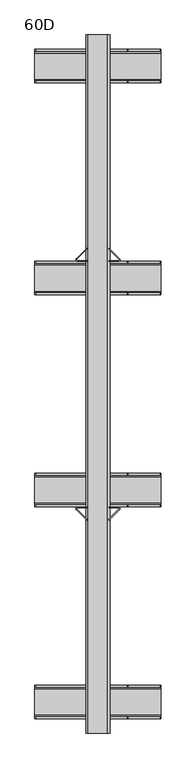
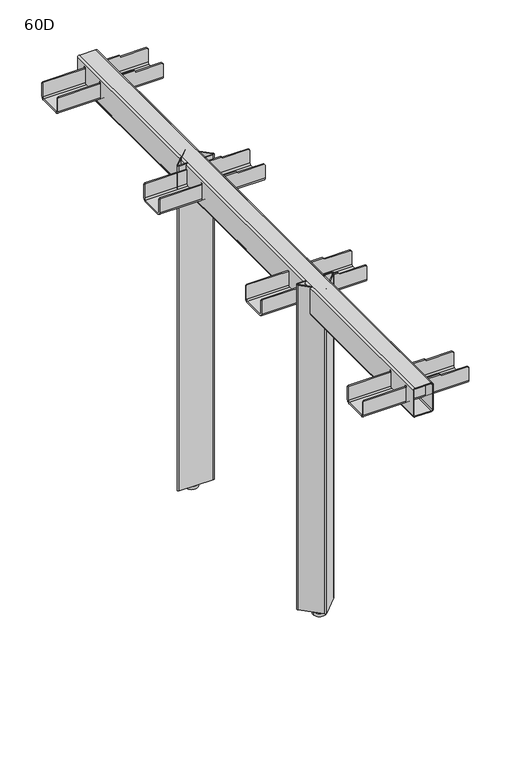
"""IFC4 building model written with IfcOpenShell, lengths in millimetres: furniture geometry, 60D."""

from ifc_helpers import new_model, si_unit, point, frame, frame_2d, origin, origin_with_axes, place, context, project, spatial, polyline, circle_curve, trimmed, segment, composite_curve, outline, extrude, source, transform, mapped, element, save
from ifc_brep_helpers import plane_surface, cylinder_surface, revolved_surface, advanced_brep


def furniture_60d_fa8f7c82(model_context):
    return source(origin(), model_context, "Body", "SolidModel", [
        advanced_brep(
        [(104.5, 497.4958946, 652.15), (104.5, 503.4958946, 646.15), (104.5, 546.4958946, 646.15), (104.5, 552.4958946, 652.15), (104.5, 552.4958946, 679.15), (104.5, 549.4958946, 679.15), (104.5, 549.4958946, 652.15), (104.5, 546.4958946, 649.15), (104.5, 503.4958946, 649.15), (104.5, 500.4958946, 652.15), (104.5, 500.4958946, 679.15), (104.5, 497.4958946, 679.15), (-104.5, 500.4958946, 652.15), (-104.5, 503.4958946, 649.15), (-104.5, 546.4958946, 649.15), (-104.5, 549.4958946, 652.15), (-104.5, 549.4958946, 679.15), (-104.5, 552.4958946, 679.15), (-104.5, 552.4958946, 652.15), (-104.5, 546.4958946, 646.15), (-104.5, 503.4958946, 646.15), (-104.5, 497.4958946, 652.15), (-104.5, 497.4958946, 679.15), (-104.5, 500.4958946, 679.15), (47.9765625, 497.4958946, 684.1539062), (47.9765625, 500.4958946, 684.1539062), (-20.0, 500.4958946, 684.1539062), (-20.0, 497.4958946, 684.1539062), (102.5, 497.4958946, 681.15), (50.0, 497.4958946, 681.15), (50.0, 497.4958946, 682.1304687), (-20.0, 497.4958946, 681.15), (-102.5, 497.4958946, 681.15), (-102.5, 552.4958946, 681.15), (-20.0, 552.4958946, 681.15), (-20.0, 552.4958946, 684.1539063), (47.9765625, 552.4958946, 684.1539063), (50.0, 552.4958946, 682.1304687), (50.0, 552.4958946, 681.15), (102.5, 552.4958946, 681.15), (47.9765625, 549.4958946, 684.1539063), (-20.0, 549.4958946, 684.1539063), (102.5, 549.4958946, 681.15), (50.0, 549.4958946, 681.15), (50.0, 549.4958946, 682.1304687), (-20.0, 549.4958946, 681.15), (-102.5, 549.4958946, 681.15), (-102.5, 500.4958946, 681.15), (-20.0, 500.4958946, 681.15), (50.0, 500.4958946, 682.1304687), (50.0, 500.4958946, 681.15), (102.5, 500.4958946, 681.15)],
        [
            (0, 1, circle_curve(frame((104.5, 503.4958946, 652.15), z_axis=(1.0, 0.0, 0.0), x_axis=(0.0, 1.0, 0.0)), 6.0)),
            (1, 2),
            (2, 3, circle_curve(frame((104.5, 546.4958946, 652.15), z_axis=(1.0, 0.0, 0.0), x_axis=(0.0, 1.0, 0.0)), 6.0)),
            (3, 4),
            (4, 5),
            (5, 6),
            (6, 7, circle_curve(frame((104.5, 546.4958946, 652.15), z_axis=(-1.0, 0.0, 0.0), x_axis=(0.0, 1.0, 0.0)), 3.0)),
            (7, 8),
            (8, 9, circle_curve(frame((104.5, 503.4958946, 652.15), z_axis=(-1.0, 0.0, 0.0), x_axis=(0.0, 1.0, 0.0)), 3.0)),
            (9, 10),
            (10, 11),
            (11, 0),
            (12, 13, circle_curve(frame((-104.5, 503.4958946, 652.15), z_axis=(1.0, 0.0, 0.0), x_axis=(0.0, 1.0, 0.0)), 3.0)),
            (13, 14),
            (14, 15, circle_curve(frame((-104.5, 546.4958946, 652.15), z_axis=(1.0, 0.0, 0.0), x_axis=(0.0, 1.0, 0.0)), 3.0)),
            (15, 16),
            (16, 17),
            (17, 18),
            (18, 19, circle_curve(frame((-104.5, 546.4958946, 652.15), z_axis=(-1.0, 0.0, 0.0), x_axis=(0.0, 1.0, 0.0)), 6.0)),
            (19, 20),
            (20, 21, circle_curve(frame((-104.5, 503.4958946, 652.15), z_axis=(-1.0, 0.0, 0.0), x_axis=(0.0, 1.0, 0.0)), 6.0)),
            (21, 22),
            (22, 23),
            (23, 12),
            (24, 25),
            (25, 26),
            (26, 27),
            (27, 24),
            (21, 0),
            (11, 28),
            (28, 29),
            (29, 30),
            (30, 24),
            (27, 31),
            (31, 32),
            (32, 22),
            (20, 1),
            (19, 2),
            (18, 3),
            (17, 33),
            (33, 34),
            (34, 35),
            (35, 36),
            (36, 37),
            (37, 38),
            (38, 39),
            (39, 4),
            (40, 36),
            (35, 41),
            (41, 40),
            (15, 6),
            (5, 42),
            (42, 43),
            (43, 44),
            (44, 40),
            (41, 45),
            (45, 46),
            (46, 16),
            (14, 7),
            (13, 8),
            (12, 9),
            (23, 47),
            (47, 48),
            (48, 26),
            (25, 49),
            (49, 50),
            (50, 51),
            (51, 10),
            (42, 39),
            (38, 43),
            (28, 51),
            (50, 29),
            (37, 44),
            (49, 30),
            (33, 46),
            (45, 34),
            (47, 32),
            (31, 48),
        ],
        [
            plane_surface(frame((104.5, 497.4958946, 684.1539062), z_axis=(1.0, 0.0, 0.0), x_axis=(0.0, -1.0, 0.0))),
            plane_surface(frame((-104.5, 497.4958946, 684.1539062), z_axis=(-1.0, 0.0, 0.0), x_axis=(0.0, 1.0, 0.0))),
            plane_surface(frame((104.5, 500.4958946, 684.1539062), z_axis=(0.0, 0.0, 1.0), x_axis=(-1.0, 0.0, 0.0))),
            plane_surface(frame((104.5, 497.4958946, 684.1539062), z_axis=(0.0, -1.0, 7.873090340298527e-12), x_axis=(-1.0, 0.0, 0.0))),
            cylinder_surface(frame((-104.5, 503.4958946, 652.15), z_axis=(1.0, 0.0, 0.0), x_axis=(0.0, 1.0, 0.0)), 6.0),
            plane_surface(frame((104.5, 503.4958946, 646.15), z_axis=(0.0, 5.927438385084088e-12, -1.0), x_axis=(-1.0, 0.0, 0.0))),
            cylinder_surface(frame((-104.5, 546.4958946, 652.15), z_axis=(1.0, 0.0, 0.0), x_axis=(0.0, 1.0, 0.0)), 6.0),
            plane_surface(frame((104.5, 552.4958946, 652.15), z_axis=(0.0, 1.0, 0.0), x_axis=(-1.0, 0.0, 0.0))),
            plane_surface(frame((104.5, 552.4958946, 684.1539063), z_axis=(0.0, 0.0, 1.0), x_axis=(-1.0, 0.0, 0.0))),
            plane_surface(frame((104.5, 549.4958946, 684.1539063), z_axis=(0.0, -1.0, 7.894237507477037e-12), x_axis=(-1.0, 0.0, 0.0))),
            revolved_surface(polyline([(-104.5, 549.4958946, 652.15), (104.5, 549.4958946, 652.15)]), (-104.5, 546.4958946, 652.15), (-1.0, 0.0, 0.0)),
            plane_surface(frame((104.5, 546.4958946, 649.15), z_axis=(0.0, -5.8707767329696355e-12, 1.0), x_axis=(-1.0, 0.0, 0.0))),
            revolved_surface(polyline([(-104.5, 506.4958946, 652.15), (104.5, 506.4958946, 652.15)]), (-104.5, 503.4958946, 652.15), (-1.0, 0.0, 0.0)),
            plane_surface(frame((104.5, 500.4958946, 652.15), z_axis=(0.0, 1.0, 0.0), x_axis=(-1.0, 0.0, 0.0))),
            plane_surface(frame((102.5, 552.4958946, 681.15), z_axis=(0.0, 0.0, 1.0), x_axis=(0.0, -1.0, 0.0))),
            plane_surface(frame((50.0, 552.4958946, 681.15), z_axis=(1.0, 0.0, 0.0), x_axis=(0.0, -1.0, 0.0))),
            plane_surface(frame((50.0, 552.4958946, 682.1304687), z_axis=(0.7071067811865623, 0.0, 0.7071067811865328), x_axis=(0.0, -1.0, 0.0))),
            plane_surface(frame((104.5, 552.4958946, 679.15), z_axis=(0.7071067811865416, 0.0, 0.7071067811865536), x_axis=(0.0, -1.0, 0.0))),
            plane_surface(frame((-102.5, -552.4956, 681.15), z_axis=(0.0, 0.0, 1.0), x_axis=(0.0, 1.0, 0.0))),
            plane_surface(frame((-104.5, -552.4956, 679.15), z_axis=(-0.7071067811865057, 0.0, 0.7071067811865894), x_axis=(0.0, 1.0, 0.0))),
            plane_surface(frame((-20.0, -552.4956, 681.15), z_axis=(-1.0, 0.0, 0.0), x_axis=(0.0, 1.0, 0.0))),
        ],
        [
            (0, [[1, 2, 3, 4, 5, 6, 7, 8, 9, 10, 11, 12]]),
            (1, [[13, 14, 15, 16, 17, 18, 19, 20, 21, 22, 23, 24]]),
            (2, [[25, 26, 27, 28]]),
            (3, [[29, -12, 30, 31, 32, 33, -28, 34, 35, 36, -22]]),
            (4, [[-1, -29, -21, 37]]),
            (5, [[-2, -37, -20, 38]]),
            (6, [[-3, -38, -19, 39]]),
            (7, [[-39, -18, 40, 41, 42, 43, 44, 45, 46, 47, -4]]),
            (8, [[48, -43, 49, 50]]),
            (9, [[51, -6, 52, 53, 54, 55, -50, 56, 57, 58, -16]]),
            (10, [[-7, -51, -15, 59]]),
            (11, [[-8, -59, -14, 60]]),
            (12, [[-9, -60, -13, 61]]),
            (13, [[-61, -24, 62, 63, 64, -26, 65, 66, 67, 68, -10]]),
            (14, [[69, -46, 70, -53]]),
            (14, [[71, -67, 72, -31]]),
            (15, [[-70, -45, 73, -54]]),
            (15, [[-72, -66, 74, -32]]),
            (16, [[-73, -44, -48, -55]]),
            (16, [[-74, -65, -25, -33]]),
            (17, [[-69, -52, -5, -47]]),
            (17, [[-71, -30, -11, -68]]),
            (18, [[75, -57, 76, -41]]),
            (18, [[77, -35, 78, -63]]),
            (19, [[-75, -40, -17, -58]]),
            (19, [[-77, -62, -23, -36]]),
            (20, [[-76, -56, -49, -42]]),
            (20, [[-78, -34, -27, -64]]),
        ],
    ),
        advanced_brep(
        [(104.5, -552.4956, 652.4753443), (104.5, -546.1702557, 646.15), (104.5, -503.4956, 646.15), (104.5, -497.4956, 652.15), (104.5, -497.4956, 679.15), (104.5, -500.4956, 679.15), (104.5, -500.4956, 651.8246557), (104.5, -503.1702557, 649.15), (104.5, -546.1702557, 649.15), (104.5, -549.4956, 652.4753443), (104.5, -549.4956, 679.15), (104.5, -552.4956, 679.15), (-104.5, -549.4956, 652.4753443), (-104.5, -546.1702557, 649.15), (-104.5, -503.1702557, 649.15), (-104.5, -500.4956, 651.8246557), (-104.5, -500.4956, 679.15), (-104.5, -497.4956, 679.15), (-104.5, -497.4956, 652.15), (-104.5, -503.4956, 646.15), (-104.5, -546.1702557, 646.15), (-104.5, -552.4956, 652.4753443), (-104.5, -552.4956, 679.15), (-104.5, -549.4956, 679.15), (-20.0, -549.4956, 684.1539062), (-20.0, -552.4956, 684.1539062), (47.9765625, -552.4956, 684.1539062), (47.9765625, -549.4956, 684.1539062), (102.5, -552.4956, 681.15), (50.0, -552.4956, 681.15), (50.0, -552.4956, 682.1304688), (-20.0, -552.4956, 681.15), (-102.5, -552.4956, 681.15), (-102.5, -497.4956, 681.15), (-20.0, -497.4956, 681.15), (-20.0, -497.4956, 684.1539063), (47.9765625, -497.4956, 684.1539063), (50.0, -497.4956, 682.1304688), (50.0, -497.4956, 681.15), (102.5, -497.4956, 681.15), (-20.0, -500.4956, 684.1539063), (47.9765625, -500.4956, 684.1539063), (102.5, -500.4956, 681.15), (50.0, -500.4956, 681.15), (50.0, -500.4956, 682.1304688), (-20.0, -500.4956, 681.15), (-102.5, -500.4956, 681.15), (-102.5, -549.4956, 681.15), (-20.0, -549.4956, 681.15), (50.0, -549.4956, 682.1304688), (50.0, -549.4956, 681.15), (102.5, -549.4956, 681.15)],
        [
            (0, 1, circle_curve(frame((104.5, -546.1702557, 652.4753443), z_axis=(1.0, 0.0, 0.0), x_axis=(0.0, 1.0, 0.0)), 6.3253443)),
            (1, 2),
            (2, 3, circle_curve(frame((104.5, -503.4956, 652.15), z_axis=(1.0, 0.0, 0.0), x_axis=(0.0, 1.0, 0.0)), 6.0)),
            (3, 4),
            (4, 5),
            (5, 6),
            (6, 7, circle_curve(frame((104.5, -503.1702557, 651.8246557), z_axis=(-1.0, 0.0, 0.0), x_axis=(0.0, 1.0, 0.0)), 2.6746557)),
            (7, 8),
            (8, 9, circle_curve(frame((104.5, -546.1702557, 652.4753443), z_axis=(-1.0, 0.0, 0.0), x_axis=(0.0, 1.0, 0.0)), 3.3253443)),
            (9, 10),
            (10, 11),
            (11, 0),
            (12, 13, circle_curve(frame((-104.5, -546.1702557, 652.4753443), z_axis=(1.0, 0.0, 0.0), x_axis=(0.0, 1.0, 0.0)), 3.3253443)),
            (13, 14),
            (14, 15, circle_curve(frame((-104.5, -503.1702557, 651.8246557), z_axis=(1.0, 0.0, 0.0), x_axis=(0.0, 1.0, 0.0)), 2.6746557)),
            (15, 16),
            (16, 17),
            (17, 18),
            (18, 19, circle_curve(frame((-104.5, -503.4956, 652.15), z_axis=(-1.0, 0.0, 0.0), x_axis=(0.0, 1.0, 0.0)), 6.0)),
            (19, 20),
            (20, 21, circle_curve(frame((-104.5, -546.1702557, 652.4753443), z_axis=(-1.0, 0.0, 0.0), x_axis=(0.0, 1.0, 0.0)), 6.3253443)),
            (21, 22),
            (22, 23),
            (23, 12),
            (24, 25),
            (25, 26),
            (26, 27),
            (27, 24),
            (21, 0),
            (11, 28),
            (28, 29),
            (29, 30),
            (30, 26),
            (25, 31),
            (31, 32),
            (32, 22),
            (20, 1),
            (19, 2),
            (18, 3),
            (17, 33),
            (33, 34),
            (34, 35),
            (35, 36),
            (36, 37),
            (37, 38),
            (38, 39),
            (39, 4),
            (35, 40),
            (40, 41),
            (41, 36),
            (15, 6),
            (5, 42),
            (42, 43),
            (43, 44),
            (44, 41),
            (40, 45),
            (45, 46),
            (46, 16),
            (14, 7),
            (13, 8),
            (12, 9),
            (23, 47),
            (47, 48),
            (48, 24),
            (27, 49),
            (49, 50),
            (50, 51),
            (51, 10),
            (33, 46),
            (45, 34),
            (47, 32),
            (31, 48),
            (42, 39),
            (38, 43),
            (28, 51),
            (50, 29),
            (37, 44),
            (49, 30),
        ],
        [
            plane_surface(frame((104.5, -552.4956, 684.1539062), z_axis=(1.0, 0.0, 0.0), x_axis=(0.0, -1.0, 0.0))),
            plane_surface(frame((-104.5, -552.4956, 684.1539062), z_axis=(-1.0, 0.0, 0.0), x_axis=(0.0, 1.0, 0.0))),
            plane_surface(frame((104.5, -549.4956, 684.1539062), z_axis=(0.0, 0.0, 1.0), x_axis=(-1.0, 0.0, 0.0))),
            plane_surface(frame((104.5, -552.4956, 684.1539062), z_axis=(0.0, -1.0, 0.0), x_axis=(-1.0, 0.0, 0.0))),
            cylinder_surface(frame((-104.5, -546.1702557, 652.4753443), z_axis=(1.0, 0.0, 0.0), x_axis=(0.0, 1.0, 0.0)), 6.3253443),
            plane_surface(frame((104.5, -546.1702557, 646.15), z_axis=(0.0, 2.994243751937464e-12, -1.0), x_axis=(-1.0, 0.0, 0.0))),
            cylinder_surface(frame((-104.5, -503.4956, 652.15), z_axis=(1.0, 0.0, 0.0), x_axis=(0.0, 1.0, 0.0)), 6.0),
            plane_surface(frame((104.5, -497.4956, 652.15), z_axis=(0.0, 1.0, 0.0), x_axis=(-1.0, 0.0, 0.0))),
            plane_surface(frame((104.5, -497.4956, 684.1539063), z_axis=(0.0, 0.0, 1.0), x_axis=(-1.0, 0.0, 0.0))),
            plane_surface(frame((104.5, -500.4956, 684.1539063), z_axis=(0.0, -1.0, 3.952405922309304e-12), x_axis=(-1.0, 0.0, 0.0))),
            revolved_surface(polyline([(-104.5, -500.49559999999997, 651.8246557), (104.5, -500.49559999999997, 651.8246557)]), (-104.5, -503.1702557, 651.8246557), (-1.0, 0.0, 0.0)),
            plane_surface(frame((104.5, -503.1702557, 649.15), z_axis=(0.0, 0.0, 1.0), x_axis=(-1.0, 0.0, 0.0))),
            revolved_surface(polyline([(-104.5, -542.8449114, 652.4753443), (104.5, -542.8449114, 652.4753443)]), (-104.5, -546.1702557, 652.4753443), (-1.0, 0.0, 0.0)),
            plane_surface(frame((104.5, -549.4956, 652.4753443), z_axis=(0.0, 1.0, 0.0), x_axis=(-1.0, 0.0, 0.0))),
            plane_surface(frame((-102.5, -552.4956, 681.15), z_axis=(0.0, 0.0, 1.0), x_axis=(0.0, 1.0, 0.0))),
            plane_surface(frame((-104.5, -552.4956, 679.15), z_axis=(-0.7071067811865057, 0.0, 0.7071067811865894), x_axis=(0.0, 1.0, 0.0))),
            plane_surface(frame((-20.0, -552.4956, 681.15), z_axis=(-1.0, 0.0, 0.0), x_axis=(0.0, 1.0, 0.0))),
            plane_surface(frame((102.5, 552.4958946, 681.15), z_axis=(0.0, 0.0, 1.0), x_axis=(0.0, -1.0, 0.0))),
            plane_surface(frame((50.0, 552.4958946, 681.15), z_axis=(1.0, 0.0, 0.0), x_axis=(0.0, -1.0, 0.0))),
            plane_surface(frame((50.0, 552.4958946, 682.1304687), z_axis=(0.7071067811865623, 0.0, 0.7071067811865328), x_axis=(0.0, -1.0, 0.0))),
            plane_surface(frame((104.5, 552.4958946, 679.15), z_axis=(0.7071067811865416, 0.0, 0.7071067811865536), x_axis=(0.0, -1.0, 0.0))),
        ],
        [
            (0, [[1, 2, 3, 4, 5, 6, 7, 8, 9, 10, 11, 12]]),
            (1, [[13, 14, 15, 16, 17, 18, 19, 20, 21, 22, 23, 24]]),
            (2, [[25, 26, 27, 28]]),
            (3, [[29, -12, 30, 31, 32, 33, -26, 34, 35, 36, -22]]),
            (4, [[-1, -29, -21, 37]]),
            (5, [[-2, -37, -20, 38]]),
            (6, [[-3, -38, -19, 39]]),
            (7, [[-39, -18, 40, 41, 42, 43, 44, 45, 46, 47, -4]]),
            (8, [[48, 49, 50, -43]]),
            (9, [[51, -6, 52, 53, 54, 55, -49, 56, 57, 58, -16]]),
            (10, [[-7, -51, -15, 59]]),
            (11, [[-8, -59, -14, 60]]),
            (12, [[-9, -60, -13, 61]]),
            (13, [[-61, -24, 62, 63, 64, -28, 65, 66, 67, 68, -10]]),
            (14, [[69, -57, 70, -41]]),
            (14, [[71, -35, 72, -63]]),
            (15, [[-69, -40, -17, -58]]),
            (15, [[-71, -62, -23, -36]]),
            (16, [[-70, -56, -48, -42]]),
            (16, [[-72, -34, -25, -64]]),
            (17, [[73, -46, 74, -53]]),
            (17, [[75, -67, 76, -31]]),
            (18, [[-74, -45, 77, -54]]),
            (18, [[-76, -66, 78, -32]]),
            (19, [[-77, -44, -50, -55]]),
            (19, [[-78, -65, -27, -33]]),
            (20, [[-73, -52, -5, -47]]),
            (20, [[-75, -30, -11, -68]]),
        ],
    ),
        extrude(outline(composite_curve([segment(polyline([(688.15, -20.0), (636.15, -20.0)]), True, "CONTINUOUS"), segment(trimmed(circle_curve(frame_2d((636.15, -16.0)), 4.0), [point((636.15, -20.0))], [point((632.15, -16.0))], False, "CARTESIAN"), True, "CONTINUOUS"), segment(polyline([(632.15, -16.0), (632.15, 16.0)]), True, "CONTINUOUS"), segment(trimmed(circle_curve(frame_2d((636.15, 16.0)), 4.0), [point((632.15, 16.0))], [point((636.15, 20.0))], False, "CARTESIAN"), True, "CONTINUOUS"), segment(polyline([(636.15, 20.0), (688.15, 20.0)]), True, "CONTINUOUS"), segment(trimmed(circle_curve(frame_2d((688.15, 16.0)), 4.0), [point((688.15, 20.0))], [point((692.15, 16.0))], False, "CARTESIAN"), True, "CONTINUOUS"), segment(polyline([(692.15, 16.0), (692.15, -16.0)]), True, "CONTINUOUS"), segment(trimmed(circle_curve(frame_2d((688.15, -16.0)), 4.0), [point((692.15, -16.0))], [point((688.15, -20.0))], False, "CARTESIAN"), True, "CONTINUOUS")], self_intersect=False), holes=[composite_curve([segment(polyline([(636.15, -18.0), (688.15, -18.0)]), True, "CONTINUOUS"), segment(trimmed(circle_curve(frame_2d((688.15, -16.0)), 2.0), [point((688.15, -18.0))], [point((690.15, -16.0))], True, "CARTESIAN"), True, "CONTINUOUS"), segment(polyline([(690.15, -16.0), (690.15, 16.0)]), True, "CONTINUOUS"), segment(trimmed(circle_curve(frame_2d((688.15, 16.0)), 2.0), [point((690.15, 16.0))], [point((688.15, 18.0))], True, "CARTESIAN"), True, "CONTINUOUS"), segment(polyline([(688.15, 18.0), (636.15, 18.0)]), True, "CONTINUOUS"), segment(trimmed(circle_curve(frame_2d((636.15, 16.0)), 2.0), [point((636.15, 18.0))], [point((634.15, 16.0))], True, "CARTESIAN"), True, "CONTINUOUS"), segment(polyline([(634.15, 16.0), (634.15, -16.0)]), True, "CONTINUOUS"), segment(trimmed(circle_curve(frame_2d((636.15, -16.0)), 2.0), [point((634.15, -16.0))], [point((636.15, -18.0))], True, "CARTESIAN"), True, "CONTINUOUS")], self_intersect=False)]), frame((0.0, -576.4478, 0.0), z_axis=(0.0, 1.0, 0.0), x_axis=(0.0, 0.0, 1.0)), (0.0, 0.0, 1.0), 1152.8958946),
        advanced_brep(
        [(104.5, -202.5, 652.15), (104.5, -196.5, 646.15), (104.5, -153.5, 646.15), (104.5, -147.5, 652.15), (104.5, -147.5, 679.15), (104.5, -150.5, 679.15), (104.5, -150.5, 652.15), (104.5, -153.5, 649.15), (104.5, -196.5, 649.15), (104.5, -199.5, 652.15), (104.5, -199.5, 679.15), (104.5, -202.5, 679.15), (-104.5, -199.5, 652.15), (-104.5, -196.5, 649.15), (-104.5, -153.5, 649.15), (-104.5, -150.5, 652.15), (-104.5, -150.5, 679.15), (-104.5, -147.5, 679.15), (-104.5, -147.5, 652.15), (-104.5, -153.5, 646.15), (-104.5, -196.5, 646.15), (-104.5, -202.5, 652.15), (-104.5, -202.5, 679.15), (-104.5, -199.5, 679.15), (47.9765625, -202.5, 684.1539063), (47.9765625, -199.5, 684.1539063), (-20.0, -199.5, 684.1539063), (-20.0, -202.5, 684.1539063), (102.5, -202.5, 681.15), (50.0, -202.5, 681.15), (50.0, -202.5, 682.1304688), (-20.0, -202.5, 681.15), (-102.5, -202.5, 681.15), (-102.5, -147.5, 681.15), (-20.0, -147.5, 681.15), (-20.0, -147.5, 684.1539062), (47.9765625, -147.5, 684.1539062), (50.0, -147.5, 682.1304688), (50.0, -147.5, 681.15), (102.5, -147.5, 681.15), (47.9765625, -150.5, 684.1539062), (-20.0, -150.5, 684.1539062), (102.5, -150.5, 681.15), (50.0, -150.5, 681.15), (50.0, -150.5, 682.1304688), (-20.0, -150.5, 681.15), (-102.5, -150.5, 681.15), (-102.5, -199.5, 681.15), (-20.0, -199.5, 681.15), (50.0, -199.5, 682.1304688), (50.0, -199.5, 681.15), (102.5, -199.5, 681.15)],
        [
            (0, 1, circle_curve(frame((104.5, -196.5, 652.15), z_axis=(1.0, 0.0, 0.0), x_axis=(0.0, 1.0, 0.0)), 6.0)),
            (1, 2),
            (2, 3, circle_curve(frame((104.5, -153.5, 652.15), z_axis=(1.0, 0.0, 0.0), x_axis=(0.0, 1.0, 0.0)), 6.0)),
            (3, 4),
            (4, 5),
            (5, 6),
            (6, 7, circle_curve(frame((104.5, -153.5, 652.15), z_axis=(-1.0, 0.0, 0.0), x_axis=(0.0, 1.0, 0.0)), 3.0)),
            (7, 8),
            (8, 9, circle_curve(frame((104.5, -196.5, 652.15), z_axis=(-1.0, 0.0, 0.0), x_axis=(0.0, 1.0, 0.0)), 3.0)),
            (9, 10),
            (10, 11),
            (11, 0),
            (12, 13, circle_curve(frame((-104.5, -196.5, 652.15), z_axis=(1.0, 0.0, 0.0), x_axis=(0.0, 1.0, 0.0)), 3.0)),
            (13, 14),
            (14, 15, circle_curve(frame((-104.5, -153.5, 652.15), z_axis=(1.0, 0.0, 0.0), x_axis=(0.0, 1.0, 0.0)), 3.0)),
            (15, 16),
            (16, 17),
            (17, 18),
            (18, 19, circle_curve(frame((-104.5, -153.5, 652.15), z_axis=(-1.0, 0.0, 0.0), x_axis=(0.0, 1.0, 0.0)), 6.0)),
            (19, 20),
            (20, 21, circle_curve(frame((-104.5, -196.5, 652.15), z_axis=(-1.0, 0.0, 0.0), x_axis=(0.0, 1.0, 0.0)), 6.0)),
            (21, 22),
            (22, 23),
            (23, 12),
            (24, 25),
            (25, 26),
            (26, 27),
            (27, 24),
            (21, 0),
            (11, 28),
            (28, 29),
            (29, 30),
            (30, 24),
            (27, 31),
            (31, 32),
            (32, 22),
            (20, 1),
            (19, 2),
            (18, 3),
            (17, 33),
            (33, 34),
            (34, 35),
            (35, 36),
            (36, 37),
            (37, 38),
            (38, 39),
            (39, 4),
            (40, 36),
            (35, 41),
            (41, 40),
            (15, 6),
            (5, 42),
            (42, 43),
            (43, 44),
            (44, 40),
            (41, 45),
            (45, 46),
            (46, 16),
            (14, 7),
            (13, 8),
            (12, 9),
            (23, 47),
            (47, 48),
            (48, 26),
            (25, 49),
            (49, 50),
            (50, 51),
            (51, 10),
            (42, 39),
            (38, 43),
            (28, 51),
            (50, 29),
            (37, 44),
            (49, 30),
            (33, 46),
            (45, 34),
            (47, 32),
            (31, 48),
        ],
        [
            plane_surface(frame((104.5, -202.5, 684.1539063), z_axis=(1.0, 0.0, 0.0), x_axis=(0.0, -1.0, 0.0))),
            plane_surface(frame((-104.5, -202.5, 684.1539063), z_axis=(-1.0, 0.0, 0.0), x_axis=(0.0, 1.0, 0.0))),
            plane_surface(frame((104.5, -199.5, 684.1539063), z_axis=(0.0, 0.0, 1.0), x_axis=(-1.0, 0.0, 0.0))),
            plane_surface(frame((104.5, -202.5, 684.1539063), z_axis=(0.0, -1.0, -5.978304161168426e-12), x_axis=(-1.0, 0.0, 0.0))),
            cylinder_surface(frame((-104.5, -196.5, 652.15), z_axis=(1.0, 0.0, 0.0), x_axis=(0.0, 1.0, 0.0)), 6.0),
            plane_surface(frame((104.5, -196.5, 646.15), z_axis=(0.0, -4.394425908431922e-12, -1.0), x_axis=(-1.0, 0.0, 0.0))),
            cylinder_surface(frame((-104.5, -153.5, 652.15), z_axis=(1.0, 0.0, 0.0), x_axis=(0.0, 1.0, 0.0)), 6.0),
            plane_surface(frame((104.5, -147.5, 652.15), z_axis=(0.0, 1.0, 0.0), x_axis=(-1.0, 0.0, 0.0))),
            plane_surface(frame((104.5, -147.5, 684.1539062), z_axis=(0.0, 0.0, 1.0), x_axis=(-1.0, 0.0, 0.0))),
            plane_surface(frame((104.5, -150.5, 684.1539062), z_axis=(0.0, -1.0, -5.9709026526534636e-12), x_axis=(-1.0, 0.0, 0.0))),
            revolved_surface(polyline([(-104.5, -150.5, 652.15), (104.5, -150.5, 652.15)]), (-104.5, -153.5, 652.15), (-1.0, 0.0, 0.0)),
            plane_surface(frame((104.5, -153.5, 649.15), z_axis=(0.0, 4.438496082298718e-12, 1.0), x_axis=(-1.0, 0.0, 0.0))),
            revolved_surface(polyline([(-104.5, -193.5, 652.15), (104.5, -193.5, 652.15)]), (-104.5, -196.5, 652.15), (-1.0, 0.0, 0.0)),
            plane_surface(frame((104.5, -199.5, 652.15), z_axis=(0.0, 1.0, 0.0), x_axis=(-1.0, 0.0, 0.0))),
            plane_surface(frame((102.5, 552.4958946, 681.15), z_axis=(0.0, 0.0, 1.0), x_axis=(0.0, -1.0, 0.0))),
            plane_surface(frame((50.0, 552.4958946, 681.15), z_axis=(1.0, 0.0, 0.0), x_axis=(0.0, -1.0, 0.0))),
            plane_surface(frame((50.0, 552.4958946, 682.1304687), z_axis=(0.7071067811865623, 0.0, 0.7071067811865328), x_axis=(0.0, -1.0, 0.0))),
            plane_surface(frame((104.5, 552.4958946, 679.15), z_axis=(0.7071067811865416, 0.0, 0.7071067811865536), x_axis=(0.0, -1.0, 0.0))),
            plane_surface(frame((-102.5, -552.4956, 681.15), z_axis=(0.0, 0.0, 1.0), x_axis=(0.0, 1.0, 0.0))),
            plane_surface(frame((-104.5, -552.4956, 679.15), z_axis=(-0.7071067811865057, 0.0, 0.7071067811865894), x_axis=(0.0, 1.0, 0.0))),
            plane_surface(frame((-20.0, -552.4956, 681.15), z_axis=(-1.0, 0.0, 0.0), x_axis=(0.0, 1.0, 0.0))),
        ],
        [
            (0, [[1, 2, 3, 4, 5, 6, 7, 8, 9, 10, 11, 12]]),
            (1, [[13, 14, 15, 16, 17, 18, 19, 20, 21, 22, 23, 24]]),
            (2, [[25, 26, 27, 28]]),
            (3, [[29, -12, 30, 31, 32, 33, -28, 34, 35, 36, -22]]),
            (4, [[-1, -29, -21, 37]]),
            (5, [[-2, -37, -20, 38]]),
            (6, [[-3, -38, -19, 39]]),
            (7, [[-39, -18, 40, 41, 42, 43, 44, 45, 46, 47, -4]]),
            (8, [[48, -43, 49, 50]]),
            (9, [[51, -6, 52, 53, 54, 55, -50, 56, 57, 58, -16]]),
            (10, [[-7, -51, -15, 59]]),
            (11, [[-8, -59, -14, 60]]),
            (12, [[-9, -60, -13, 61]]),
            (13, [[-61, -24, 62, 63, 64, -26, 65, 66, 67, 68, -10]]),
            (14, [[69, -46, 70, -53]]),
            (14, [[71, -67, 72, -31]]),
            (15, [[-70, -45, 73, -54]]),
            (15, [[-72, -66, 74, -32]]),
            (16, [[-73, -44, -48, -55]]),
            (16, [[-74, -65, -25, -33]]),
            (17, [[-69, -52, -5, -47]]),
            (17, [[-71, -30, -11, -68]]),
            (18, [[75, -57, 76, -41]]),
            (18, [[77, -35, 78, -63]]),
            (19, [[-75, -40, -17, -58]]),
            (19, [[-77, -62, -23, -36]]),
            (20, [[-76, -56, -49, -42]]),
            (20, [[-78, -34, -27, -64]]),
        ],
    ),
        extrude(outline(composite_curve([segment(trimmed(circle_curve(frame_2d((33.6918973, 205.278606)), 2.6789062), [point((35.58617, 207.1728788))], [point((33.6918973, 202.5996997))], False, "CARTESIAN"), True, "CONTINUOUS"), segment(polyline([(33.6918973, 202.5996997), (-33.6926099, 202.5996997)]), True, "CONTINUOUS"), segment(trimmed(circle_curve(frame_2d((-33.6926099, 205.278606)), 2.6789063), [point((-33.6926099, 202.5996997))], [point((-35.5868827, 207.1728788))], False, "CARTESIAN"), True, "CONTINUOUS"), segment(polyline([(-35.5868827, 207.1728788), (-1.8946291, 240.8651323)]), True, "CONTINUOUS"), segment(trimmed(circle_curve(frame_2d((-0.0003563, 238.9708596)), 2.6789063), [point((-1.8946291, 240.8651323))], [point((1.8939165, 240.8651323))], False, "CARTESIAN"), True, "CONTINUOUS"), segment(polyline([(1.8939165, 240.8651323), (35.58617, 207.1728788)]), True, "CONTINUOUS")], self_intersect=False), holes=[composite_curve([segment(polyline([(34.183005, 205.7697137), (0.4907514, 239.4619673)]), True, "CONTINUOUS"), segment(trimmed(circle_curve(frame_2d((-0.0003563, 238.9708596)), 0.6945312), [point((0.4907514, 239.4619673))], [point((-0.4914641, 239.4619673))], True, "CARTESIAN"), True, "CONTINUOUS"), segment(polyline([(-0.4914641, 239.4619673), (-34.1837176, 205.7697137)]), True, "CONTINUOUS"), segment(trimmed(circle_curve(frame_2d((-33.6926099, 205.278606)), 0.6945313), [point((-34.1837176, 205.7697137))], [point((-33.6926099, 204.5840747))], True, "CARTESIAN"), True, "CONTINUOUS"), segment(polyline([(-33.6926099, 204.5840747), (33.6918973, 204.5840747)]), True, "CONTINUOUS"), segment(trimmed(circle_curve(frame_2d((33.6918973, 205.278606)), 0.6945313), [point((33.6918973, 204.5840747))], [point((34.183005, 205.7697137))], True, "CARTESIAN"), True, "CONTINUOUS")], self_intersect=False)]), frame((0.0, 0.0, 11.0), z_axis=(0.0, 0.0, 1.0), x_axis=(1.0, 0.0, 0.0)), (0.0, 0.0, 1.0), 681.15),
        extrude(outline(composite_curve([segment(trimmed(circle_curve(frame_2d((0.0935578, -219.9342125)), 8.2529367), [point((-8.1593789, -219.9342125))], [point((8.3464945, -219.9342125))], False, "CARTESIAN"), True, "CONTINUOUS"), segment(trimmed(circle_curve(frame_2d((0.0935578, -219.9342125)), 8.2529367), [point((8.3464945, -219.9342125))], [point((-8.1593789, -219.9342125))], False, "CARTESIAN"), True, "CONTINUOUS")], self_intersect=False)), frame((0.0, 0.0, 6.5), z_axis=(0.0, 0.0, 1.0), x_axis=(1.0, 0.0, 0.0)), (0.0, 0.0, 1.0), 4.5),
        extrude(outline(composite_curve([segment(trimmed(circle_curve(frame_2d((0.0913067, -219.9342125)), 12.5869389), [point((-12.4956322, -219.9342125))], [point((12.6782456, -219.9342125))], False, "CARTESIAN"), True, "CONTINUOUS"), segment(trimmed(circle_curve(frame_2d((0.0913067, -219.9342125)), 12.5869389), [point((12.6782456, -219.9342125))], [point((-12.4956322, -219.9342125))], False, "CARTESIAN"), True, "CONTINUOUS")], self_intersect=False)), origin_with_axes(), (0.0, 0.0, 1.0), 6.5),
        extrude(outline(composite_curve([segment(trimmed(circle_curve(frame_2d((0.0580112, 220.0396517)), 8.2529367), [point((-8.1949255, 220.0396517))], [point((8.3109479, 220.0396517))], False, "CARTESIAN"), True, "CONTINUOUS"), segment(trimmed(circle_curve(frame_2d((0.0580112, 220.0396517)), 8.2529367), [point((8.3109479, 220.0396517))], [point((-8.1949255, 220.0396517))], False, "CARTESIAN"), True, "CONTINUOUS")], self_intersect=False)), frame((0.0, 0.0, 6.5), z_axis=(0.0, 0.0, 1.0), x_axis=(1.0, 0.0, 0.0)), (0.0, 0.0, 1.0), 4.5),
        extrude(outline(composite_curve([segment(trimmed(circle_curve(frame_2d((0.0557601, 220.0396517)), 12.5869389), [point((-12.5311788, 220.0396517))], [point((12.642699, 220.0396517))], False, "CARTESIAN"), True, "CONTINUOUS"), segment(trimmed(circle_curve(frame_2d((0.0557601, 220.0396517)), 12.5869389), [point((12.642699, 220.0396517))], [point((-12.5311788, 220.0396517))], False, "CARTESIAN"), True, "CONTINUOUS")], self_intersect=False)), origin_with_axes(), (0.0, 0.0, 1.0), 6.5),
        advanced_brep(
        [(104.5, 147.5, 652.15), (104.5, 153.5, 646.15), (104.5, 196.5002946, 646.15), (104.5, 202.5002946, 652.15), (104.5, 202.5002946, 679.15), (104.5, 199.5002946, 679.15), (104.5, 199.5002946, 652.15), (104.5, 196.5002946, 649.15), (104.5, 153.5, 649.15), (104.5, 150.5, 652.15), (104.5, 150.5, 679.15), (104.5, 147.5, 679.15), (-104.5, 150.5, 652.15), (-104.5, 153.5, 649.15), (-104.5, 196.5002946, 649.15), (-104.5, 199.5002946, 652.15), (-104.5, 199.5002946, 679.15), (-104.5, 202.5002946, 679.15), (-104.5, 202.5002946, 652.15), (-104.5, 196.5002946, 646.15), (-104.5, 153.5, 646.15), (-104.5, 147.5, 652.15), (-104.5, 147.5, 679.15), (-104.5, 150.5, 679.15), (47.9765625, 147.5, 684.1539063), (47.9765625, 150.5, 684.1539063), (-20.0, 150.5, 684.1539063), (-20.0, 147.5, 684.1539063), (102.5, 147.5, 681.15), (50.0, 147.5, 681.15), (50.0, 147.5, 682.1304687), (-20.0, 147.5, 681.15), (-102.5, 147.5, 681.15), (-102.5, 202.5002946, 681.15), (-20.0, 202.5002946, 681.15), (-20.0, 202.5002946, 684.1539062), (47.9765625, 202.5002946, 684.1539062), (50.0, 202.5002946, 682.1304687), (50.0, 202.5002946, 681.15), (102.5, 202.5002946, 681.15), (47.9765625, 199.5002946, 684.1539062), (-20.0, 199.5002946, 684.1539062), (102.5, 199.5002946, 681.15), (50.0, 199.5002946, 681.15), (50.0, 199.5002946, 682.1304687), (-20.0, 199.5002946, 681.15), (-102.5, 199.5002946, 681.15), (-102.5, 150.5, 681.15), (-20.0, 150.5, 681.15), (50.0, 150.5, 682.1304687), (50.0, 150.5, 681.15), (102.5, 150.5, 681.15)],
        [
            (0, 1, circle_curve(frame((104.5, 153.5, 652.15), z_axis=(1.0, 0.0, 0.0), x_axis=(0.0, 1.0, 0.0)), 6.0)),
            (1, 2),
            (2, 3, circle_curve(frame((104.5, 196.5002946, 652.15), z_axis=(1.0, 0.0, 0.0), x_axis=(0.0, 1.0, 0.0)), 6.0)),
            (3, 4),
            (4, 5),
            (5, 6),
            (6, 7, circle_curve(frame((104.5, 196.5002946, 652.15), z_axis=(-1.0, 0.0, 0.0), x_axis=(0.0, 1.0, 0.0)), 3.0)),
            (7, 8),
            (8, 9, circle_curve(frame((104.5, 153.5, 652.15), z_axis=(-1.0, 0.0, 0.0), x_axis=(0.0, 1.0, 0.0)), 3.0)),
            (9, 10),
            (10, 11),
            (11, 0),
            (12, 13, circle_curve(frame((-104.5, 153.5, 652.15), z_axis=(1.0, 0.0, 0.0), x_axis=(0.0, 1.0, 0.0)), 3.0)),
            (13, 14),
            (14, 15, circle_curve(frame((-104.5, 196.5002946, 652.15), z_axis=(1.0, 0.0, 0.0), x_axis=(0.0, 1.0, 0.0)), 3.0)),
            (15, 16),
            (16, 17),
            (17, 18),
            (18, 19, circle_curve(frame((-104.5, 196.5002946, 652.15), z_axis=(-1.0, 0.0, 0.0), x_axis=(0.0, 1.0, 0.0)), 6.0)),
            (19, 20),
            (20, 21, circle_curve(frame((-104.5, 153.5, 652.15), z_axis=(-1.0, 0.0, 0.0), x_axis=(0.0, 1.0, 0.0)), 6.0)),
            (21, 22),
            (22, 23),
            (23, 12),
            (24, 25),
            (25, 26),
            (26, 27),
            (27, 24),
            (21, 0),
            (11, 28),
            (28, 29),
            (29, 30),
            (30, 24),
            (27, 31),
            (31, 32),
            (32, 22),
            (20, 1),
            (19, 2),
            (18, 3),
            (17, 33),
            (33, 34),
            (34, 35),
            (35, 36),
            (36, 37),
            (37, 38),
            (38, 39),
            (39, 4),
            (40, 36),
            (35, 41),
            (41, 40),
            (15, 6),
            (5, 42),
            (42, 43),
            (43, 44),
            (44, 40),
            (41, 45),
            (45, 46),
            (46, 16),
            (14, 7),
            (13, 8),
            (12, 9),
            (23, 47),
            (47, 48),
            (48, 26),
            (25, 49),
            (49, 50),
            (50, 51),
            (51, 10),
            (42, 39),
            (38, 43),
            (28, 51),
            (50, 29),
            (37, 44),
            (49, 30),
            (33, 46),
            (45, 34),
            (47, 32),
            (31, 48),
        ],
        [
            plane_surface(frame((104.5, 147.5, 684.1539063), z_axis=(1.0, 0.0, 0.0), x_axis=(0.0, -1.0, 0.0))),
            plane_surface(frame((-104.5, 147.5, 684.1539063), z_axis=(-1.0, 0.0, 0.0), x_axis=(0.0, 1.0, 0.0))),
            plane_surface(frame((104.5, 150.5, 684.1539063), z_axis=(0.0, 0.0, 1.0), x_axis=(-1.0, 0.0, 0.0))),
            plane_surface(frame((104.5, 147.5, 684.1539063), z_axis=(0.0, -1.0, -6.53235994122534e-12), x_axis=(-1.0, 0.0, 0.0))),
            cylinder_surface(frame((-104.5, 153.5, 652.15), z_axis=(1.0, 0.0, 0.0), x_axis=(0.0, 1.0, 0.0)), 6.0),
            plane_surface(frame((104.5, 153.5, 646.15), z_axis=(0.0, -3.994619103822918e-12, -1.0), x_axis=(-1.0, 0.0, 0.0))),
            cylinder_surface(frame((-104.5, 196.5002946, 652.15), z_axis=(1.0, 0.0, 0.0), x_axis=(0.0, 1.0, 0.0)), 6.0),
            plane_surface(frame((104.5, 202.5002946, 652.15), z_axis=(0.0, 1.0, 0.0), x_axis=(-1.0, 0.0, 0.0))),
            plane_surface(frame((104.5, 202.5002946, 684.1539062), z_axis=(0.0, 0.0, 1.0), x_axis=(-1.0, 0.0, 0.0))),
            plane_surface(frame((104.5, 199.5002946, 684.1539062), z_axis=(0.0, -1.0, -5.440108756491988e-12), x_axis=(-1.0, 0.0, 0.0))),
            revolved_surface(polyline([(-104.5, 199.5002946, 652.15), (104.5, 199.5002946, 652.15)]), (-104.5, 196.5002946, 652.15), (-1.0, 0.0, 0.0)),
            plane_surface(frame((104.5, 196.5002946, 649.15), z_axis=(0.0, 4.8508337580702265e-12, 1.0), x_axis=(-1.0, 0.0, 0.0))),
            revolved_surface(polyline([(-104.5, 156.5, 652.15), (104.5, 156.5, 652.15)]), (-104.5, 153.5, 652.15), (-1.0, 0.0, 0.0)),
            plane_surface(frame((104.5, 150.5, 652.15), z_axis=(0.0, 1.0, 0.0), x_axis=(-1.0, 0.0, 0.0))),
            plane_surface(frame((102.5, 552.4958946, 681.15), z_axis=(0.0, 0.0, 1.0), x_axis=(0.0, -1.0, 0.0))),
            plane_surface(frame((50.0, 552.4958946, 681.15), z_axis=(1.0, 0.0, 0.0), x_axis=(0.0, -1.0, 0.0))),
            plane_surface(frame((50.0, 552.4958946, 682.1304687), z_axis=(0.7071067811865623, 0.0, 0.7071067811865328), x_axis=(0.0, -1.0, 0.0))),
            plane_surface(frame((104.5, 552.4958946, 679.15), z_axis=(0.7071067811865416, 0.0, 0.7071067811865536), x_axis=(0.0, -1.0, 0.0))),
            plane_surface(frame((-102.5, -552.4956, 681.15), z_axis=(0.0, 0.0, 1.0), x_axis=(0.0, 1.0, 0.0))),
            plane_surface(frame((-104.5, -552.4956, 679.15), z_axis=(-0.7071067811865057, 0.0, 0.7071067811865894), x_axis=(0.0, 1.0, 0.0))),
            plane_surface(frame((-20.0, -552.4956, 681.15), z_axis=(-1.0, 0.0, 0.0), x_axis=(0.0, 1.0, 0.0))),
        ],
        [
            (0, [[1, 2, 3, 4, 5, 6, 7, 8, 9, 10, 11, 12]]),
            (1, [[13, 14, 15, 16, 17, 18, 19, 20, 21, 22, 23, 24]]),
            (2, [[25, 26, 27, 28]]),
            (3, [[29, -12, 30, 31, 32, 33, -28, 34, 35, 36, -22]]),
            (4, [[-1, -29, -21, 37]]),
            (5, [[-2, -37, -20, 38]]),
            (6, [[-3, -38, -19, 39]]),
            (7, [[-39, -18, 40, 41, 42, 43, 44, 45, 46, 47, -4]]),
            (8, [[48, -43, 49, 50]]),
            (9, [[51, -6, 52, 53, 54, 55, -50, 56, 57, 58, -16]]),
            (10, [[-7, -51, -15, 59]]),
            (11, [[-8, -59, -14, 60]]),
            (12, [[-9, -60, -13, 61]]),
            (13, [[-61, -24, 62, 63, 64, -26, 65, 66, 67, 68, -10]]),
            (14, [[69, -46, 70, -53]]),
            (14, [[71, -67, 72, -31]]),
            (15, [[-70, -45, 73, -54]]),
            (15, [[-72, -66, 74, -32]]),
            (16, [[-73, -44, -48, -55]]),
            (16, [[-74, -65, -25, -33]]),
            (17, [[-69, -52, -5, -47]]),
            (17, [[-71, -30, -11, -68]]),
            (18, [[75, -57, 76, -41]]),
            (18, [[77, -35, 78, -63]]),
            (19, [[-75, -40, -17, -58]]),
            (19, [[-77, -62, -23, -36]]),
            (20, [[-76, -56, -49, -42]]),
            (20, [[-78, -34, -27, -64]]),
        ],
    ),
        extrude(outline(composite_curve([segment(trimmed(circle_curve(frame_2d((-33.6922536, -205.9821116)), 2.6789062), [point((-35.5865263, -207.8763844))], [point((-33.6922536, -203.3032054))], False, "CARTESIAN"), True, "CONTINUOUS"), segment(polyline([(-33.6922536, -203.3032054), (33.6922536, -203.3032054)]), True, "CONTINUOUS"), segment(trimmed(circle_curve(frame_2d((33.6922536, -205.9821116)), 2.6789063), [point((33.6922536, -203.3032054))], [point((35.5865263, -207.8763844))], False, "CARTESIAN"), True, "CONTINUOUS"), segment(polyline([(35.5865263, -207.8763844), (1.8942728, -241.568638)]), True, "CONTINUOUS"), segment(trimmed(circle_curve(frame_2d((0.0, -239.6743652)), 2.6789063), [point((1.8942728, -241.568638))], [point((-1.8942728, -241.568638))], False, "CARTESIAN"), True, "CONTINUOUS"), segment(polyline([(-1.8942728, -241.568638), (-35.5865263, -207.8763844)]), True, "CONTINUOUS")], self_intersect=False), holes=[composite_curve([segment(polyline([(-34.1833613, -206.4732194), (-0.4911078, -240.165473)]), True, "CONTINUOUS"), segment(trimmed(circle_curve(frame_2d((0.0, -239.6743652)), 0.6945312), [point((-0.4911078, -240.165473))], [point((0.4911078, -240.165473))], True, "CARTESIAN"), True, "CONTINUOUS"), segment(polyline([(0.4911078, -240.165473), (34.1833613, -206.4732194)]), True, "CONTINUOUS"), segment(trimmed(circle_curve(frame_2d((33.6922536, -205.9821116)), 0.6945313), [point((34.1833613, -206.4732194))], [point((33.6922536, -205.2875804))], True, "CARTESIAN"), True, "CONTINUOUS"), segment(polyline([(33.6922536, -205.2875804), (-33.6922536, -205.2875804)]), True, "CONTINUOUS"), segment(trimmed(circle_curve(frame_2d((-33.6922536, -205.9821116)), 0.6945313), [point((-33.6922536, -205.2875804))], [point((-34.1833613, -206.4732194))], True, "CARTESIAN"), True, "CONTINUOUS")], self_intersect=False)]), frame((0.0, 0.0, 11.0), z_axis=(0.0, 0.0, 1.0), x_axis=(1.0, 0.0, 0.0)), (0.0, 0.0, 1.0), 681.15),
    ])


if __name__ == "__main__":
    model = new_model("IFC4")
    model_context = context("Model", 3, world=origin())
    ifc_project = project(units=[si_unit("LENGTHUNIT", "METRE", prefix="MILLI")], contexts=[model_context])
    site = spatial("IfcSite", under=ifc_project)
    building = spatial("IfcBuilding", under=site)
    placement = place(None, origin())
    furniture_60d_shape = furniture_60d_fa8f7c82(model_context)
    element("IfcFurniture", 1, ObjectType="60D", at=placement, inside=building, context=model_context, shape_type="MappedRepresentation", body=[
        mapped(furniture_60d_shape, transform((0.0, 0.0, 0.0), x_axis=(1.0, 0.0, 0.0), y_axis=(0.0, 1.0, 0.0), z_axis=(0.0, 0.0, 1.0))),
    ])
    save(model, "model.ifc")
